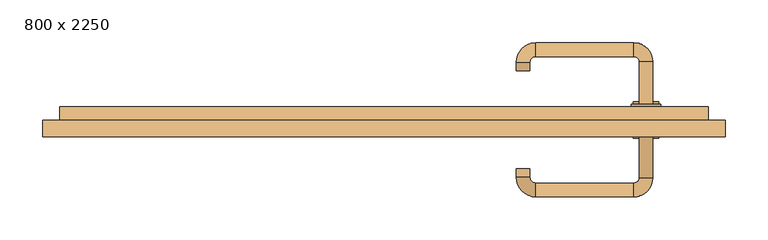
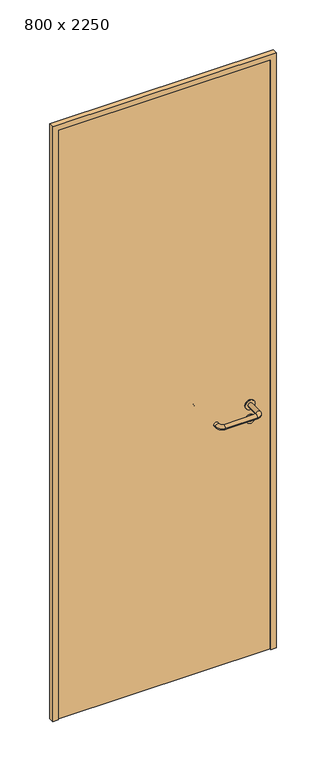
"""IFC4 building model written with IfcOpenShell, lengths in millimetres: door geometry, 800 x 2250."""

from ifc_helpers import new_model, si_unit, point, frame, frame_2d, origin, origin_with_axes, place, context, project, spatial, polyline, circle_curve, ellipse_curve, trimmed, segment, composite_curve, outline, extrude, source, transform, mapped, element, save
from ifc_brep_helpers import plane_surface, cylinder_surface, revolved_surface, advanced_brep


def door_800_x_2250_e459f78c(model_context):
    return source(origin(), model_context, "Body", "SolidModel", [
        extrude(outline(composite_curve([segment(trimmed(circle_curve(frame_2d((897.3605726, 307.0)), 15.0), [point((897.3605726, 322.0))], [point((897.3605726, 292.0))], False, "CARTESIAN"), True, "CONTINUOUS"), segment(trimmed(circle_curve(frame_2d((897.3605726, 307.0)), 15.0), [point((897.3605726, 292.0))], [point((897.3605726, 322.0))], False, "CARTESIAN"), True, "CONTINUOUS")], self_intersect=False), holes=[composite_curve([segment(trimmed(circle_curve(frame_2d((892.5833211, 306.9398032)), 2.0), [point((892.5833211, 308.9398032))], [point((892.5833211, 304.9398032))], True, "CARTESIAN"), True, "CONTINUOUS"), segment(polyline([(892.5833211, 304.9398032), (902.5833211, 304.9398032)]), True, "CONTINUOUS"), segment(trimmed(circle_curve(frame_2d((902.5833211, 306.9398032)), 2.0), [point((902.5833211, 304.9398032))], [point((902.5833211, 308.9398032))], True, "CARTESIAN"), True, "CONTINUOUS"), segment(polyline([(902.5833211, 308.9398032), (892.5833211, 308.9398032)]), True, "CONTINUOUS")], self_intersect=False)]), frame((0.0, 25.0, 0.0), z_axis=(0.0, 1.0, 0.0), x_axis=(0.0, 0.0, 1.0)), (0.0, 0.0, 1.0), 6.35),
        extrude(outline(composite_curve([segment(trimmed(circle_curve(frame_2d((950.0, 307.0)), 17.526), [point((950.0, 324.526))], [point((950.0, 289.474))], False, "CARTESIAN"), True, "CONTINUOUS"), segment(trimmed(circle_curve(frame_2d((950.0, 307.0)), 17.526), [point((950.0, 289.474))], [point((950.0, 324.526))], False, "CARTESIAN"), True, "CONTINUOUS")], self_intersect=False)), frame((0.0, 25.0, 0.0), z_axis=(0.0, 1.0, 0.0), x_axis=(0.0, 0.0, 1.0)), (0.0, 0.0, 1.0), 3.175),
        advanced_brep(
        [(315.0, 25.0, 950.0), (299.0, 25.0, 950.0), (315.0, 78.0, 950.0), (299.0, 78.0, 950.0), (292.8578644, 84.1421356, 950.0), (292.8578644, 100.1421356, 950.0), (177.8578644, 100.1421356, 950.0), (177.8578644, 84.1421356, 950.0), (171.008622, 77.2928932, 950.0), (155.008622, 77.2928932, 950.0), (155.008622, 67.2928932, 950.0), (171.008622, 67.2928932, 950.0)],
        [
            (0, 1, circle_curve(frame((307.0, 25.0, 950.0), z_axis=(0.0, -1.0, 0.0), x_axis=(-1.0, 0.0, 0.0)), 8.0)),
            (1, 0, circle_curve(frame((307.0, 25.0, 950.0), z_axis=(0.0, -1.0, 0.0), x_axis=(-1.0, 0.0, 0.0)), 8.0)),
            (0, 2),
            (2, 3, circle_curve(frame((307.0, 78.0, 950.0), z_axis=(0.0, -1.0, 0.0), x_axis=(-1.0, 0.0, 0.0)), 8.0)),
            (3, 1),
            (3, 2, circle_curve(frame((307.0, 78.0, 950.0), z_axis=(0.0, -1.0, 0.0), x_axis=(-1.0, 0.0, 0.0)), 8.0)),
            (4, 3, circle_curve(frame((292.8578644, 78.0, 950.0), z_axis=(0.0, 0.0, -1.0), x_axis=(1.0, 0.0, 0.0)), 6.1421356)),
            (2, 5, circle_curve(frame((292.8578644, 78.0, 950.0), z_axis=(0.0, 0.0, 1.0), x_axis=(1.0, 0.0, 0.0)), 22.1421356)),
            (5, 4, circle_curve(frame((292.8578644, 92.1421356, 950.0), z_axis=(1.0, 0.0, 0.0), x_axis=(0.0, -1.0, 0.0)), 8.0)),
            (4, 5, circle_curve(frame((292.8578644, 92.1421356, 950.0), z_axis=(1.0, 0.0, 0.0), x_axis=(0.0, -1.0, 0.0)), 8.0)),
            (5, 6),
            (6, 7, circle_curve(frame((177.8578644, 92.1421356, 950.0), z_axis=(1.0, 0.0, 0.0), x_axis=(0.0, -1.0, 0.0)), 8.0)),
            (7, 4),
            (7, 6, circle_curve(frame((177.8578644, 92.1421356, 950.0), z_axis=(1.0, 0.0, 0.0), x_axis=(0.0, -1.0, 0.0)), 8.0)),
            (8, 7, circle_curve(frame((177.8578644, 77.2928932, 950.0), z_axis=(0.0, 0.0, -1.0), x_axis=(0.0, 1.0, 0.0)), 6.8492424)),
            (6, 9, circle_curve(frame((177.8578644, 77.2928932, 950.0), z_axis=(0.0, 0.0, 1.0), x_axis=(0.0, 1.0, 0.0)), 22.8492424)),
            (9, 8, circle_curve(frame((163.008622, 77.2928932, 950.0), z_axis=(0.0, 1.0, 0.0), x_axis=(1.0, 0.0, 0.0)), 8.0)),
            (8, 9, circle_curve(frame((163.008622, 77.2928932, 950.0), z_axis=(0.0, 1.0, 0.0), x_axis=(1.0, 0.0, 0.0)), 8.0)),
            (10, 11, circle_curve(frame((163.008622, 67.2928932, 950.0), z_axis=(0.0, -1.0, 0.0), x_axis=(1.0, 0.0, 0.0)), 8.0)),
            (11, 10, circle_curve(frame((163.008622, 67.2928932, 950.0), z_axis=(0.0, -1.0, 0.0), x_axis=(1.0, 0.0, 0.0)), 8.0)),
            (9, 10),
            (11, 8),
        ],
        [
            plane_surface(frame((307.0, 25.0, 0.0), z_axis=(0.0, -1.0, 0.0), x_axis=(0.0, 0.0, 1.0))),
            cylinder_surface(frame((307.0, 25.0, 950.0), z_axis=(0.0, -1.0, 0.0), x_axis=(-1.0, 0.0, 0.0)), 8.0),
            revolved_surface(trimmed(ellipse_curve(frame((307.0, 78.0, 950.0), z_axis=(0.0, -1.0, 0.0), x_axis=(-1.0, 0.0, 0.0)), 8.0, 8.0), [point((315.0, 78.0, 950.0))], [point((299.0, 78.0, 950.0))], True, "CARTESIAN"), (292.8578644, 78.0, 0.0), (0.0, 0.0, 1.0)),
            revolved_surface(trimmed(ellipse_curve(frame((307.0, 78.0, 950.0), z_axis=(0.0, -1.0, 0.0), x_axis=(-1.0, 0.0, 0.0)), 8.0, 8.0), [point((299.0, 78.0, 950.0))], [point((315.0, 78.0, 950.0))], True, "CARTESIAN"), (292.8578644, 78.0, 0.0), (0.0, 0.0, 1.0)),
            cylinder_surface(frame((292.8578644, 92.1421356, 950.0), z_axis=(1.0, 0.0, 0.0), x_axis=(0.0, -1.0, 0.0)), 8.0),
            revolved_surface(trimmed(ellipse_curve(frame((177.8578644, 92.1421356, 950.0), z_axis=(1.0, 0.0, 0.0), x_axis=(0.0, -1.0, 0.0)), 8.0, 8.0), [point((177.8578644, 100.1421356, 950.0))], [point((177.8578644, 84.1421356, 950.0))], True, "CARTESIAN"), (177.8578644, 77.2928932, 0.0), (0.0, 0.0, 1.0)),
            revolved_surface(trimmed(ellipse_curve(frame((177.8578644, 92.1421356, 950.0), z_axis=(1.0, 0.0, 0.0), x_axis=(0.0, -1.0, 0.0)), 8.0, 8.0), [point((177.8578644, 84.1421356, 950.0))], [point((177.8578644, 100.1421356, 950.0))], True, "CARTESIAN"), (177.8578644, 77.2928932, 0.0), (0.0, 0.0, 1.0)),
            plane_surface(frame((163.008622, 67.2928932, 0.0), z_axis=(0.0, -1.0, 0.0), x_axis=(0.0, 0.0, 1.0))),
            cylinder_surface(frame((163.008622, 77.2928932, 950.0), z_axis=(0.0, 1.0, 0.0), x_axis=(1.0, 0.0, 0.0)), 8.0),
        ],
        [
            (0, [[1, 2]]),
            (1, [[-1, 3, 4, 5]]),
            (1, [[-2, -5, 6, -3]]),
            (2, [[7, -4, 8, 9]]),
            (3, [[-8, -6, -7, 10]]),
            (4, [[-9, 11, 12, 13]]),
            (4, [[-10, -13, 14, -11]]),
            (5, [[15, -12, 16, 17]]),
            (6, [[-16, -14, -15, 18]]),
            (7, [[19, 20]]),
            (8, [[-17, 21, -20, 22]]),
            (8, [[-18, -22, -19, -21]]),
        ],
    ),
        extrude(outline(composite_curve([segment(trimmed(circle_curve(frame_2d((0.0, 15.0)), 15.0), [point((0.0, 30.0))], [point((0.0, 0.0))], False, "CARTESIAN"), True, "CONTINUOUS"), segment(trimmed(circle_curve(frame_2d((0.0, 15.0)), 15.0), [point((0.0, 0.0))], [point((0.0, 30.0))], False, "CARTESIAN"), True, "CONTINUOUS")], self_intersect=False), holes=[composite_curve([segment(trimmed(circle_curve(frame_2d((-4.7772515, 14.9398032)), 2.0), [point((-4.7772515, 16.9398032))], [point((-4.7772515, 12.9398032))], True, "CARTESIAN"), True, "CONTINUOUS"), segment(polyline([(-4.7772515, 12.9398032), (5.2227485, 12.9398032)]), True, "CONTINUOUS"), segment(trimmed(circle_curve(frame_2d((5.2227485, 14.9398032)), 2.0), [point((5.2227485, 12.9398032))], [point((5.2227485, 16.9398032))], True, "CARTESIAN"), True, "CONTINUOUS"), segment(polyline([(5.2227485, 16.9398032), (-4.7772515, 16.9398032)]), True, "CONTINUOUS")], self_intersect=False)]), frame((292.0, -11.35, 897.3605726), z_axis=(-1.8870575173328306e-12, 1.0, 0.0), x_axis=(0.0, 0.0, 1.0)), (0.0, 0.0, 1.0), 6.35),
        extrude(outline(composite_curve([segment(trimmed(circle_curve(frame_2d((0.0, 17.526)), 17.526), [point((0.0, 35.052))], [point((0.0, 0.0))], False, "CARTESIAN"), True, "CONTINUOUS"), segment(trimmed(circle_curve(frame_2d((0.0, 17.526)), 17.526), [point((0.0, 0.0))], [point((0.0, 35.052))], False, "CARTESIAN"), True, "CONTINUOUS")], self_intersect=False)), frame((289.474, -8.175, 950.0), z_axis=(-1.8870575173328306e-12, 1.0, 0.0), x_axis=(0.0, 0.0, 1.0)), (0.0, 0.0, 1.0), 3.175),
        advanced_brep(
        [(315.0, -5.0, 950.0), (299.0, -5.0, 950.0), (299.0, -58.0, 950.0), (315.0, -58.0, 950.0), (292.8578644, -64.1421356, 950.0), (292.8578644, -80.1421356, 950.0), (177.8578644, -64.1421356, 950.0), (177.8578644, -80.1421356, 950.0), (171.008622, -57.2928932, 950.0), (155.008622, -57.2928932, 950.0), (155.008622, -47.2928932, 950.0), (171.008622, -47.2928932, 950.0)],
        [
            (0, 1, circle_curve(frame((307.0, -5.0, 950.0), z_axis=(-1.888672253512351e-12, 1.0, 0.0), x_axis=(-1.0, -1.888672253512351e-12, 0.0)), 8.0)),
            (1, 0, circle_curve(frame((307.0, -5.0, 950.0), z_axis=(-1.888672253512351e-12, 1.0, 0.0), x_axis=(-1.0, -1.888672253512351e-12, 0.0)), 8.0)),
            (1, 2),
            (2, 3, circle_curve(frame((307.0, -58.0, 950.0), z_axis=(-1.888672253512351e-12, 1.0, 0.0), x_axis=(-1.0, -1.888672253512351e-12, 0.0)), 8.0)),
            (3, 0),
            (3, 2, circle_curve(frame((307.0, -58.0, 950.0), z_axis=(-1.888672253512351e-12, 1.0, 0.0), x_axis=(-1.0, -1.888672253512351e-12, 0.0)), 8.0)),
            (4, 5, circle_curve(frame((292.8578644, -72.1421356, 950.0), z_axis=(1.0, 1.913702061528922e-12, 0.0), x_axis=(-1.913702061528922e-12, 1.0, 0.0)), 8.0)),
            (5, 3, circle_curve(frame((292.8578644, -58.0, 950.0), z_axis=(0.0, 0.0, 1.0), x_axis=(1.0, 1.880717803715015e-12, 0.0)), 22.1421356)),
            (2, 4, circle_curve(frame((292.8578644, -58.0, 950.0), z_axis=(0.0, 0.0, -1.0), x_axis=(1.0, 1.880717803715015e-12, 0.0)), 6.1421356)),
            (5, 4, circle_curve(frame((292.8578644, -72.1421356, 950.0), z_axis=(1.0, 1.913702061528922e-12, 0.0), x_axis=(-1.913702061528922e-12, 1.0, 0.0)), 8.0)),
            (4, 6),
            (6, 7, circle_curve(frame((177.8578644, -72.1421356, 950.0), z_axis=(1.0, 1.913719828541269e-12, 0.0), x_axis=(-1.913719828541269e-12, 1.0, 0.0)), 8.0)),
            (7, 5),
            (7, 6, circle_curve(frame((177.8578644, -72.1421356, 950.0), z_axis=(1.0, 1.913719828541269e-12, 0.0), x_axis=(-1.913719828541269e-12, 1.0, 0.0)), 8.0)),
            (8, 9, circle_curve(frame((163.008622, -57.2928932, 950.0), z_axis=(1.8888942981172756e-12, -1.0, 0.0), x_axis=(1.0, 1.8888942981172756e-12, 0.0)), 8.0)),
            (9, 7, circle_curve(frame((177.8578644, -57.2928932, 950.0), z_axis=(0.0, 0.0, 1.0), x_axis=(1.9120873253494017e-12, -1.0, 0.0)), 22.8492424)),
            (6, 8, circle_curve(frame((177.8578644, -57.2928932, 950.0), z_axis=(0.0, 0.0, -1.0), x_axis=(1.9120873253494017e-12, -1.0, 0.0)), 6.8492424)),
            (9, 8, circle_curve(frame((163.008622, -57.2928932, 950.0), z_axis=(1.890448610351751e-12, -1.0, 0.0), x_axis=(1.0, 1.890448610351751e-12, 0.0)), 8.0)),
            (10, 11, circle_curve(frame((163.008622, -47.2928932, 950.0), z_axis=(-1.8903642334018795e-12, 1.0, 0.0), x_axis=(1.0, 1.8903642334018795e-12, 0.0)), 8.0)),
            (11, 10, circle_curve(frame((163.008622, -47.2928932, 950.0), z_axis=(-1.8903642334018795e-12, 1.0, 0.0), x_axis=(1.0, 1.8903642334018795e-12, 0.0)), 8.0)),
            (8, 11),
            (10, 9),
        ],
        [
            plane_surface(frame((307.0, -5.0, 0.0), z_axis=(-1.8870575173328306e-12, 1.0, 0.0), x_axis=(0.0, 0.0, 1.0))),
            cylinder_surface(frame((307.0, -5.0, 950.0), z_axis=(-1.888672253512351e-12, 1.0, 0.0), x_axis=(-1.0, -1.888672253512351e-12, 0.0)), 8.0),
            revolved_surface(trimmed(ellipse_curve(frame((307.0, -58.0, 950.0), z_axis=(1.8823325398945356e-12, -1.0, 0.0), x_axis=(-1.0, -1.8823325398945356e-12, 0.0)), 8.0, 8.0), [point((315.0, -58.0, 950.0))], [point((299.0, -58.0, 950.0))], True, "CARTESIAN"), (292.8578644, -58.0, 0.0), (0.0, 0.0, 1.0)),
            revolved_surface(trimmed(ellipse_curve(frame((307.0, -58.0, 950.0), z_axis=(1.8823325398945356e-12, -1.0, 0.0), x_axis=(-1.0, -1.8823325398945356e-12, 0.0)), 8.0, 8.0), [point((299.0, -58.0, 950.0))], [point((315.0, -58.0, 950.0))], True, "CARTESIAN"), (292.8578644, -58.0, 0.0), (0.0, 0.0, 1.0)),
            cylinder_surface(frame((292.8578644, -72.1421356, 950.0), z_axis=(1.0, 1.913719828541269e-12, 0.0), x_axis=(-1.913719828541269e-12, 1.0, 0.0)), 8.0),
            revolved_surface(trimmed(ellipse_curve(frame((177.8578644, -72.1421356, 950.0), z_axis=(-1.0, -1.913702061528922e-12, 0.0), x_axis=(-1.913702061528922e-12, 1.0, 0.0)), 8.0, 8.0), [point((177.8578644, -80.1421356, 950.0))], [point((177.8578644, -64.1421356, 950.0))], True, "CARTESIAN"), (177.8578644, -57.2928932, 0.0), (0.0, 0.0, 1.0)),
            revolved_surface(trimmed(ellipse_curve(frame((177.8578644, -72.1421356, 950.0), z_axis=(-1.0, -1.913702061528922e-12, 0.0), x_axis=(-1.913702061528922e-12, 1.0, 0.0)), 8.0, 8.0), [point((177.8578644, -64.1421356, 950.0))], [point((177.8578644, -80.1421356, 950.0))], True, "CARTESIAN"), (177.8578644, -57.2928932, 0.0), (0.0, 0.0, 1.0)),
            plane_surface(frame((163.008622, -47.2928932, 0.0), z_axis=(-1.8887494972223595e-12, 1.0, 0.0), x_axis=(0.0, 0.0, 1.0))),
            cylinder_surface(frame((163.008622, -57.2928932, 950.0), z_axis=(1.8903642334018795e-12, -1.0, 0.0), x_axis=(1.0, 1.8903642334018795e-12, 0.0)), 8.0),
        ],
        [
            (0, [[1, 2]]),
            (1, [[3, 4, 5, -2]]),
            (1, [[-5, 6, -3, -1]]),
            (2, [[7, 8, -4, 9]]),
            (3, [[10, -9, -6, -8]]),
            (4, [[11, 12, 13, -7]]),
            (4, [[-13, 14, -11, -10]]),
            (5, [[15, 16, -12, 17]]),
            (6, [[18, -17, -14, -16]]),
            (7, [[19, 20]]),
            (8, [[21, -19, 22, -15]]),
            (8, [[-22, -20, -21, -18]]),
        ],
    ),
        extrude(outline(polyline([(2230.0, 380.0), (0.0, 380.0), (0.0, 400.0), (2250.0, 400.0), (2250.0, -400.0), (0.0, -400.0), (0.0, -380.0), (2230.0, -380.0), (2230.0, 380.0)])), frame((0.0, -10.0, 0.0), z_axis=(0.0, 1.0, 0.0), x_axis=(0.0, 0.0, 1.0)), (0.0, 0.0, 1.0), 19.0),
        extrude(outline(polyline([(-380.0, -5.0), (-380.0, 25.0), (380.0, 25.0), (380.0, -5.0), (-380.0, -5.0)])), origin_with_axes(), (0.0, 0.0, 1.0), 2230.0),
    ])


if __name__ == "__main__":
    model = new_model("IFC4")
    model_context = context("Model", 3, world=origin())
    ifc_project = project(units=[si_unit("LENGTHUNIT", "METRE", prefix="MILLI")], contexts=[model_context])
    site = spatial("IfcSite", under=ifc_project)
    building = spatial("IfcBuilding", under=site)
    placement = place(None, origin())
    door_800_x_2250_shape = door_800_x_2250_e459f78c(model_context)
    element("IfcDoor", 1, ObjectType="800 x 2250", at=placement, inside=building, context=model_context, shape_type="MappedRepresentation", body=[
        mapped(door_800_x_2250_shape, transform((0.0, 0.0, 0.0), x_axis=(1.0, 0.0, 0.0), y_axis=(0.0, 1.0, 0.0), z_axis=(0.0, 0.0, 1.0))),
    ])
    save(model, "model.ifc")
